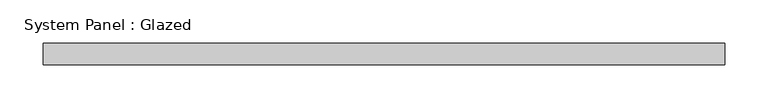
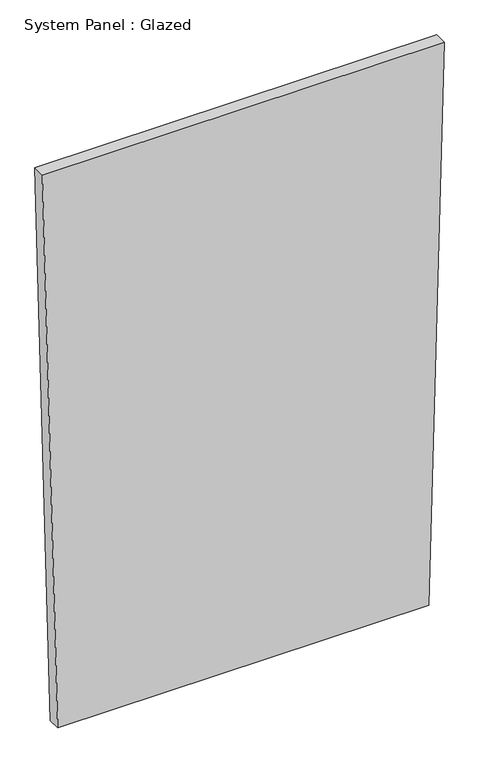
"""IFC4 building model written with IfcOpenShell, lengths in millimetres: plate geometry, System Panel : Glazed."""

from ifc_helpers import new_model, si_unit, frame, origin, place, context, project, spatial, polyline, outline, extrude, source, transform, mapped, element, save


def system_panel_glazed_68c86414(model_context):
    return source(origin(), model_context, "Body", "SweptSolid", [
        extrude(outline(polyline([(0.0, -366.0343701), (0.0, 366.0343323), (1163.7134297, 396.3969516), (1163.7134447, -396.3969516), (0.0, -366.0343701)])), frame((0.0, -49.5, 0.0), z_axis=(0.0, 1.0, 0.0), x_axis=(0.0, 0.0, 1.0)), (0.0, 0.0, 1.0), 25.0),
    ])


if __name__ == "__main__":
    model = new_model("IFC4")
    model_context = context("Model", 3, world=origin())
    ifc_project = project(units=[si_unit("LENGTHUNIT", "METRE", prefix="MILLI")], contexts=[model_context])
    site = spatial("IfcSite", under=ifc_project)
    building = spatial("IfcBuilding", under=site)
    placement = place(None, origin())
    system_panel_glazed_shape = system_panel_glazed_68c86414(model_context)
    element("IfcPlate", 1, ObjectType="System Panel : Glazed", at=placement, inside=building, context=model_context, shape_type="MappedRepresentation", body=[
        mapped(system_panel_glazed_shape, transform((0.0, 0.0, 0.0), x_axis=(1.0, 0.0, 0.0), y_axis=(0.0, 1.0, 0.0), z_axis=(0.0, 0.0, 1.0))),
    ])
    save(model, "model.ifc")
